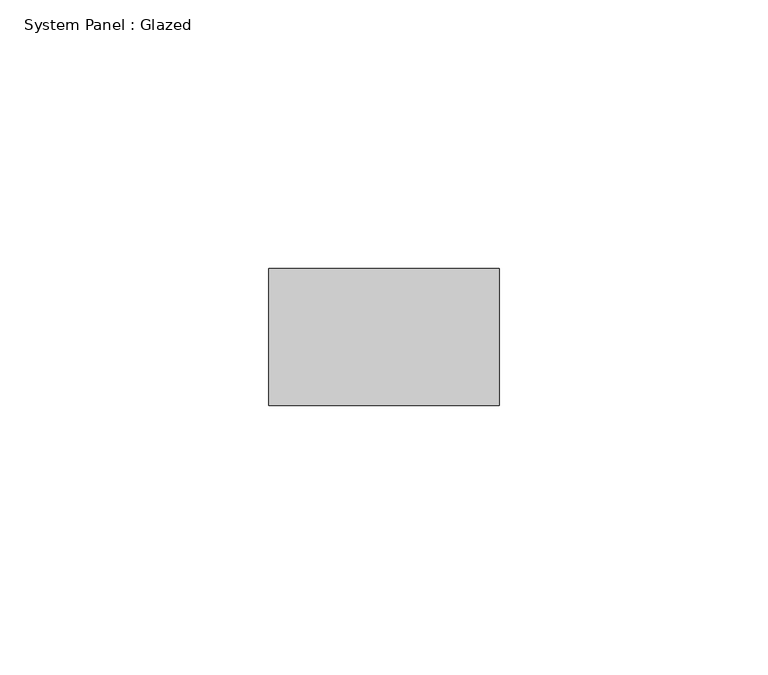
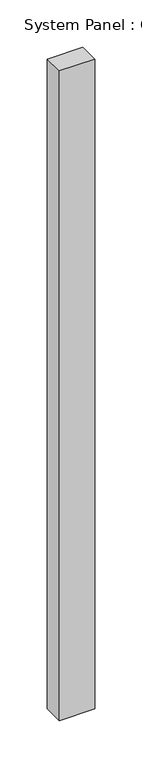
"""IFC4 building model written with IfcOpenShell, lengths in millimetres: plate geometry, System Panel : Glazed."""

from ifc_helpers import new_model, si_unit, origin, origin_with_axes, place, context, project, spatial, polyline, outline, extrude, source, transform, mapped, element, save


def system_panel_glazed_e23afffb(model_context):
    return source(origin(), model_context, "Body", "SweptSolid", [
        extrude(outline(polyline([(21.4, 19.05), (-21.4, 19.05), (-21.4, 44.45), (21.4, 44.45), (21.4, 19.05)])), origin_with_axes(), (0.0, 0.0, 1.0), 836.5),
    ])


if __name__ == "__main__":
    model = new_model("IFC4")
    model_context = context("Model", 3, world=origin())
    ifc_project = project(units=[si_unit("LENGTHUNIT", "METRE", prefix="MILLI")], contexts=[model_context])
    site = spatial("IfcSite", under=ifc_project)
    building = spatial("IfcBuilding", under=site)
    placement = place(None, origin())
    system_panel_glazed_shape = system_panel_glazed_e23afffb(model_context)
    element("IfcPlate", 1, ObjectType="System Panel : Glazed", at=placement, inside=building, context=model_context, shape_type="MappedRepresentation", body=[
        mapped(system_panel_glazed_shape, transform((0.0, 0.0, 0.0), x_axis=(1.0, 0.0, 0.0), y_axis=(0.0, 1.0, 0.0), z_axis=(0.0, 0.0, 1.0))),
    ])
    save(model, "model.ifc")
